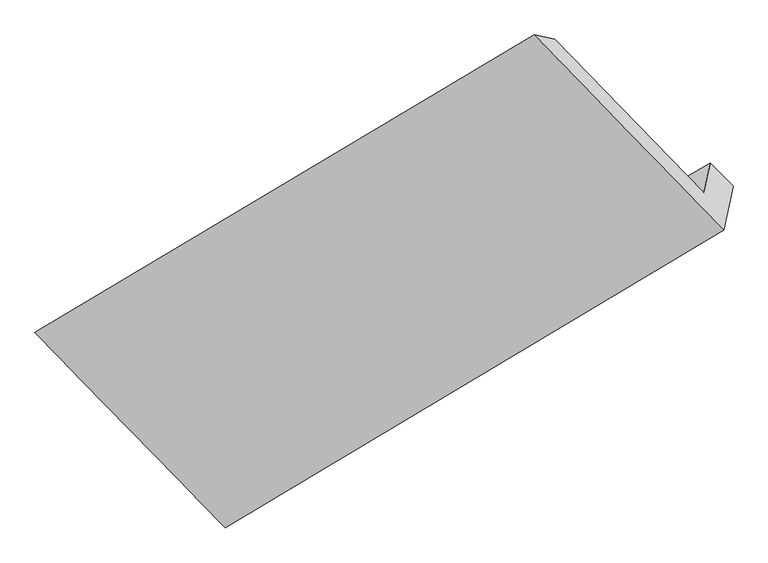
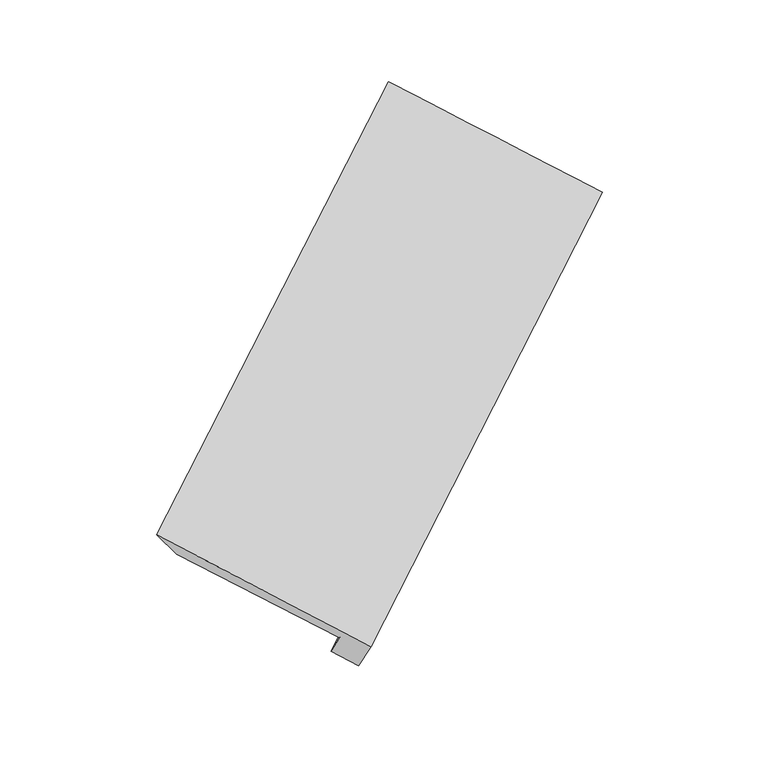
"""IFC4 building model written with IfcOpenShell, lengths in millimetres: proxy geometry."""

from ifc_helpers import new_model, si_unit, frame, origin, place, context, project, spatial, source, transform, mapped, element, save
from ifc_brep_helpers import plane_surface, spline_surface, advanced_brep


def generic_models_29b49ab0(model_context):
    return source(origin(), model_context, "Body", "AdvancedBrep", [
        advanced_brep(
        [(-4327.3474941, -2716.6743859, 287.2486518), (-4381.1931954, -2964.7965774, 602.9169846), (-711.4220729, -801.4113558, 2973.6135687), (-664.1816673, -583.7265139, 2696.6685252), (-5436.7672575, -1866.8679138, 1225.5128628), (-1806.1281847, 325.3062342, 3630.411468), (-5619.9823431, -1828.2499704, 1475.4229616), (-1955.1502252, 358.3633163, 3832.1444999), (-4223.5720544, -3261.173978, 633.5766612), (-565.6331654, -1075.9230539, 3002.3288846), (-4145.2073284, -2900.0675743, 174.1664983), (-495.6461739, -753.4214374, 2592.0328648)],
        [
            (0, 1),
            (1, 2),
            (2, 3),
            (3, 0),
            (1, 4),
            (4, 5),
            (5, 2),
            (4, 6),
            (6, 7),
            (7, 5),
            (6, 8),
            (8, 9),
            (9, 7),
            (8, 10),
            (10, 11),
            (11, 9),
            (10, 0),
            (3, 11),
        ],
        [
            plane_surface(frame((-4354.2703447, -2840.7354816, 445.0828182), z_axis=(-0.6436370954791417, 0.6512058478558823, 0.40207242263238585), x_axis=(-0.13291771982052197, -0.6124878153387382, 0.7792249712498266))),
            spline_surface(1, 1, [[(-4381.1931954, -2964.7965774, 602.9169846), (-711.4220729, -801.4113558, 2973.6135687)], [(-5436.7672575, -1866.8679138, 1225.5128628), (-1806.1281847, 325.3062342, 3630.411468)]], [2, 2], [2, 2], [0.0, 1.0], [0.0, 1.0]),
            spline_surface(1, 1, [[(-5436.7672575, -1866.8679138, 1225.5128628), (-1806.1281847, 325.3062342, 3630.411468)], [(-5619.9823431, -1828.2499704, 1475.4229616), (-1955.1502252, 358.3633163, 3832.1444999)]], [2, 2], [2, 2], [0.0, 1.0], [0.0, 1.0]),
            spline_surface(1, 1, [[(-5619.9823431, -1828.2499704, 1475.4229616), (-1955.1502252, 358.3633163, 3832.1444999)], [(-4223.5720544, -3261.173978, 633.5766612), (-565.6331654, -1075.9230539, 3002.3288846)]], [2, 2], [2, 2], [0.0, 1.0], [0.0, 1.0]),
            plane_surface(frame((-4184.3896914, -3080.6207761, 403.8715798), z_axis=(0.6468890203621874, -0.6492628303349949, -0.399990465486668), x_axis=(0.1329177198205221, 0.6124878153387382, -0.7792249712498265))),
            plane_surface(frame((-4236.2774113, -2808.3709801, 230.7075751), z_axis=(0.1458808555178003, 0.6201616979998752, -0.7707906618059837), x_axis=(-0.645596240090832, 0.6500375820059517, 0.40081995554168237))),
            plane_surface(frame((-1033.0269149, -421.8021351, 3121.1999686), z_axis=(0.7520228550637897, 0.44978863707461136, 0.4818213438820141), x_axis=(0.1329177198205221, 0.6124878153387382, -0.7792249712498265))),
            plane_surface(frame((-4689.0116121, -2589.6384, 733.1407701), z_axis=(-0.7520228550637689, -0.4497886370746315, -0.4818213438820278), x_axis=(0.645596240090855, -0.6500375820059431, -0.4008199555416597))),
        ],
        [
            (0, [[1, 2, 3, 4]]),
            (1, [[5, 6, 7, -2]]),
            (2, [[8, 9, 10, -6]]),
            (3, [[11, 12, 13, -9]]),
            (4, [[14, 15, 16, -12]]),
            (5, [[17, -4, 18, -15]]),
            (6, [[-16, -18, -3, -7, -10, -13]]),
            (7, [[-17, -14, -11, -8, -5, -1]]),
        ],
    ),
    ])


if __name__ == "__main__":
    model = new_model("IFC4")
    model_context = context("Model", 3, world=origin())
    ifc_project = project(units=[si_unit("LENGTHUNIT", "METRE", prefix="MILLI")], contexts=[model_context])
    site = spatial("IfcSite", under=ifc_project)
    building = spatial("IfcBuilding", under=site)
    placement = place(None, origin())
    generic_models_shape = generic_models_29b49ab0(model_context)
    element("IfcBuildingElementProxy", 1, Name="Generic Models", at=placement, inside=building, context=model_context, shape_type="MappedRepresentation", body=[
        mapped(generic_models_shape, transform((0.0, 0.0, 0.0), x_axis=(1.0, 0.0, 0.0), y_axis=(0.0, 1.0, 0.0), z_axis=(0.0, 0.0, 1.0))),
    ])
    save(model, "model.ifc")
